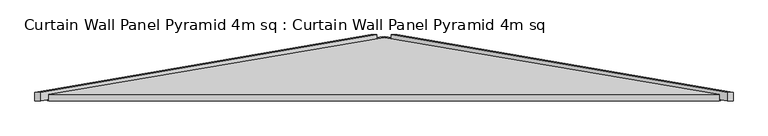
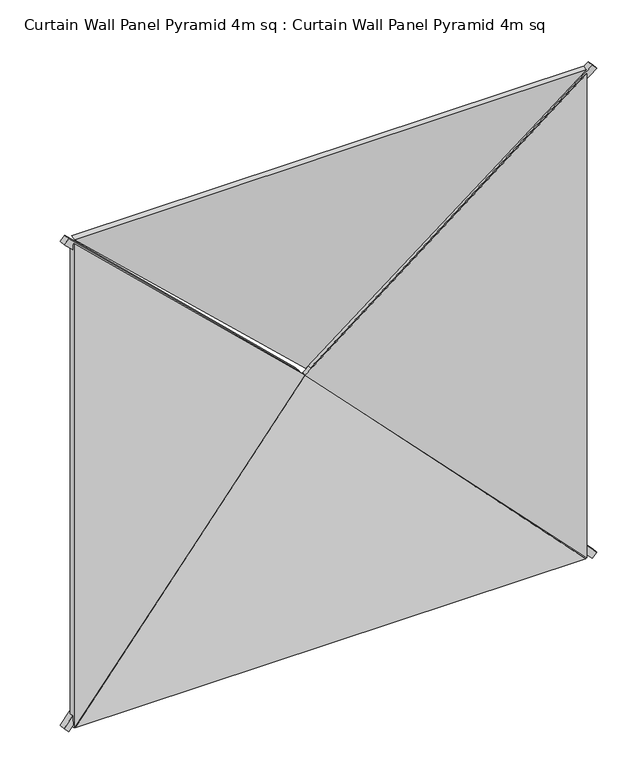
"""IFC4 building model written with IfcOpenShell, lengths in millimetres: plate geometry, Curtain Wall Panel Pyramid 4m sq : Curtain Wall Panel Pyramid 4m sq."""

from ifc_helpers import new_model, si_unit, frame, origin, place, context, project, spatial, polyline, outline, extrude, source, transform, mapped, element, save


def curtain_wall_panel_pyramid_4m_sq_curtain_wall_panel_pyramid_4adf5118(model_context):
    return source(origin(), model_context, "Body", "SweptSolid", [
        extrude(outline(polyline([(-25.0, 0.0), (25.0, 0.0), (-319.5008531, -2828.2124727), (-369.5008531, -2828.2124727), (-25.0, 0.0)])), frame((2042.3223305, 25.0, -17.6776695), z_axis=(0.7071067811865489, 0.0, 0.7071067811865462), x_axis=(0.0, -1.0, 0.0)), (0.0, 0.0, 1.0), 50.0),
        extrude(outline(polyline([(-25.0, 0.0), (25.0, 0.0), (369.5008531, -2828.2124727), (319.5008531, -2828.2124727), (-25.0, 0.0)])), frame((-2042.3223305, 25.0, -17.6776695), z_axis=(-0.7071067811865475, 0.0, 0.7071067811865477), x_axis=(0.0, 1.0, 0.0)), (0.0, 0.0, 1.0), 50.0),
        extrude(outline(polyline([(-25.0, 0.0), (25.0, 0.0), (369.5008531, -2828.2124727), (319.5008531, -2828.2124727), (-25.0, 0.0)])), frame((-2077.6776695, 25.0, 4007.3223305), z_axis=(0.7071067811865488, 0.0, 0.7071067811865462), x_axis=(0.0, 1.0, 0.0)), (0.0, 0.0, 1.0), 50.0),
        extrude(outline(polyline([(-25.0, 0.0), (25.0, 0.0), (-319.5008531, -2828.2124727), (-369.5008531, -2828.2124727), (-25.0, 0.0)])), frame((2077.6776695, 25.0, 4007.3223305), z_axis=(-0.7071067811865472, 0.0, 0.7071067811865479), x_axis=(0.0, -1.0, 0.0)), (0.0, 0.0, 1.0), 50.0),
        extrude(outline(polyline([(1993.2098768, -1014.7271131), (-2.1709376, 1016.8143409), (3988.5906912, 1016.8143409), (1993.2098768, -1014.7271131)])), frame((1000.0, 172.8335872, 0.0), z_axis=(0.16975307948003834, 0.9854866270056859, 0.0), x_axis=(0.0, 0.0, 1.0)), (0.0, 0.0, 1.0), 40.0),
        extrude(outline(polyline([(0.0, -1014.7271131), (-1991.3928218, 1012.7540773), (1991.3928218, 1012.7540773), (0.0, -1014.7271131)])), frame((0.0, 212.2530523, 986.4197536), z_axis=(0.0, -0.9854866270056859, 0.16975307948003834), x_axis=(-1.0, 0.0, 0.0)), (0.0, 0.0, 1.0), 40.0),
        extrude(outline(polyline([(1993.2098768, 1014.7271131), (3986.6374086, -1014.8256606), (-0.217655, -1014.8256606), (1993.2098768, 1014.7271131)])), frame((-1000.0, 172.8335872, 0.0), z_axis=(-0.16975307948003834, 0.9854866270056859, 0.0), x_axis=(0.0, 0.0, 1.0)), (0.0, 0.0, 1.0), 40.0),
        extrude(outline(polyline([(1996.304868, -1017.8221042), (-1996.2959025, -1017.8221042), (2.4233431, 976.0594205), (1996.304868, -1017.8221042)])), frame((0.0, 172.8335872, 3018.2098768), z_axis=(0.0, 0.9854866270056859, 0.16975307948003832), x_axis=(1.0, 0.0, 0.0)), (0.0, 0.0, 1.0), 40.0),
    ])


if __name__ == "__main__":
    model = new_model("IFC4")
    model_context = context("Model", 3, world=origin())
    ifc_project = project(units=[si_unit("LENGTHUNIT", "METRE", prefix="MILLI")], contexts=[model_context])
    site = spatial("IfcSite", under=ifc_project)
    building = spatial("IfcBuilding", under=site)
    placement = place(None, origin())
    curtain_wall_panel_pyramid_4m_sq_curtain_wall_panel_pyramid_shape = curtain_wall_panel_pyramid_4m_sq_curtain_wall_panel_pyramid_4adf5118(model_context)
    element("IfcPlate", 1, ObjectType="Curtain Wall Panel Pyramid 4m sq : Curtain Wall Panel Pyramid 4m sq", at=placement, inside=building, context=model_context, shape_type="MappedRepresentation", body=[
        mapped(curtain_wall_panel_pyramid_4m_sq_curtain_wall_panel_pyramid_shape, transform((0.0, 0.0, 0.0), x_axis=(1.0, 0.0, 0.0), y_axis=(0.0, 1.0, 0.0), z_axis=(0.0, 0.0, 1.0))),
    ])
    save(model, "model.ifc")
